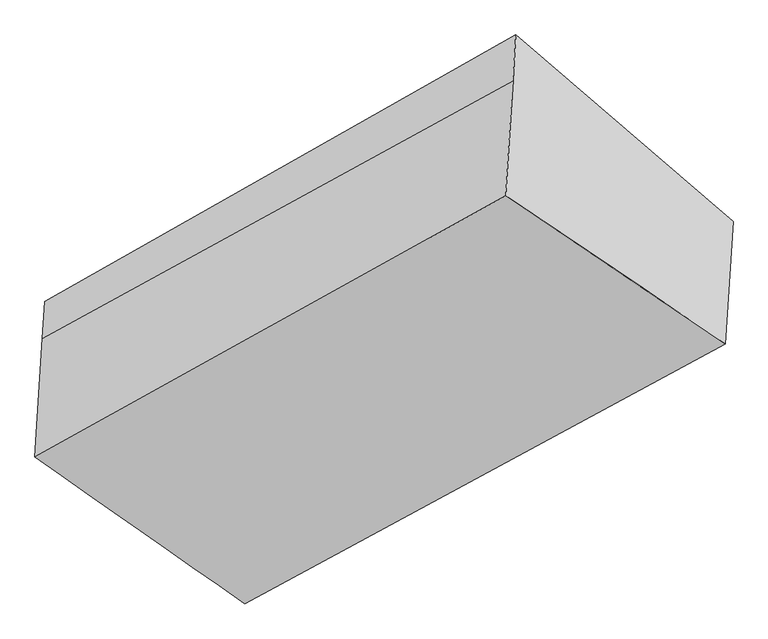
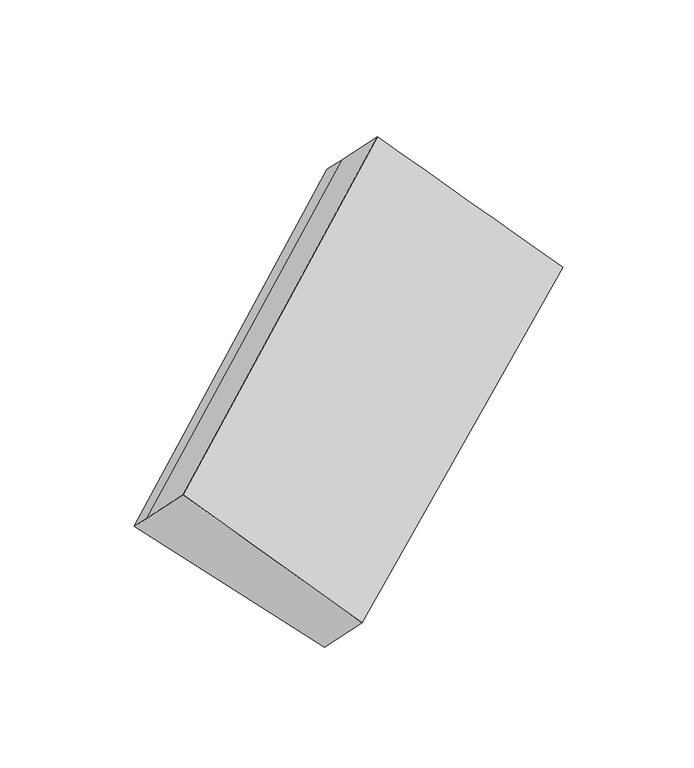
"""IFC4 building model written with IfcOpenShell, lengths in millimetres: proxy geometry."""

import ifcopenshell
import ifcopenshell.guid

model = None  # the IFC model being written
_history = None  # IfcOwnerHistory: only IFC2X3 demands one
_inside = {}  # id of a spatial element -> (the spatial element, [elements in it])
_under = {}  # id of a project, library or spatial element -> (it, [spatial elements below it])
_declared = {}  # id of a project -> (the project, [libraries it declares])
_typed = {}  # id of a type object -> (the type object, [elements of that type])
_made_of = {}  # id of a material, layer set ... -> (it, [elements and type objects made of it])


def new_model(schema):
    """Start an empty IFC model of exactly this schema.

    Asked for "IFC4X3", IfcOpenShell would pick the latest addendum, in which some entities
    have other attributes; the version numbers below select the first issue.
    IFC2X3 requires an IfcOwnerHistory on every rooted entity: one is made here for all.
    """
    global model, _history
    if schema == "IFC4X3":
        model = ifcopenshell.file(schema_version=(4, 3, 0, 0))
    else:
        model = ifcopenshell.file(schema=schema)
    _inside.clear()
    _under.clear()
    _declared.clear()
    _typed.clear()
    _made_of.clear()
    _history = None
    if model.schema == "IFC2X3":
        org = make("IfcOrganization", Name="unknown")
        user = make(
            "IfcPersonAndOrganization",
            ThePerson=make("IfcPerson", FamilyName="unknown"),
            TheOrganization=org,
        )
        app = make(
            "IfcApplication",
            ApplicationDeveloper=org,
            Version="unknown",
            ApplicationFullName="unknown",
            ApplicationIdentifier="unknown",
        )
        _history = make(
            "IfcOwnerHistory",
            OwningUser=user,
            OwningApplication=app,
            ChangeAction="ADDED",
            CreationDate=0,
        )
    return model


def make(cls, **values):
    """One entity of the class cls with the attributes given. An attribute that is None is left unset."""
    return model.create_entity(
        cls, **{name: value for name, value in values.items() if value is not None}
    )


def rooted(cls, **values):
    """An entity with a GlobalId (a new one), such as an element, a storey or a relation."""
    return make(cls, GlobalId=ifcopenshell.guid.new(), OwnerHistory=_history, **values)


def si_unit(unit_type, name, prefix=None):
    """IfcSIUnit, for example si_unit("LENGTHUNIT", "METRE", prefix="MILLI")."""
    return make("IfcSIUnit", UnitType=unit_type, Prefix=prefix, Name=name)


def assignment(units):
    """IfcUnitAssignment: the units of a project."""
    return None if units is None else make("IfcUnitAssignment", Units=units)


def point(xyz):
    """IfcCartesianPoint."""
    return None if xyz is None else make("IfcCartesianPoint", Coordinates=xyz)


def direction(xyz):
    """IfcDirection."""
    return None if xyz is None else make("IfcDirection", DirectionRatios=xyz)


def frame(location, z_axis=None, x_axis=None):
    """IfcAxis2Placement3D, a coordinate frame: its origin and axes. An axis left out is left unset."""
    return make(
        "IfcAxis2Placement3D",
        Location=point(location),
        Axis=direction(z_axis),
        RefDirection=direction(x_axis),
    )


def origin():
    """The frame at (0, 0, 0) with its axes left unset."""
    return frame((0.0, 0.0, 0.0))


def place(relative_to, where):
    """IfcLocalPlacement: puts the frame where relative to a parent placement (None: the world)."""
    return make(
        "IfcLocalPlacement", PlacementRelTo=relative_to, RelativePlacement=where
    )


def context(
    kind, dimensions, precision=None, world=None, true_north=None, identifier=None
):
    """IfcGeometricRepresentationContext, for example the 3D "Model" context."""
    return make(
        "IfcGeometricRepresentationContext",
        ContextIdentifier=identifier,
        ContextType=kind,
        CoordinateSpaceDimension=dimensions,
        Precision=precision,
        WorldCoordinateSystem=world,
        TrueNorth=true_north,
    )


def project(units=None, contexts=None):
    """IfcProject with its units and contexts."""
    return rooted(
        "IfcProject",
        Name="project",
        RepresentationContexts=contexts,
        UnitsInContext=assignment(units),
    )


def spatial(cls, under=None, at=None, **own):
    """A site, building, storey or space (cls), placed at a placement, below another one or the project."""
    s = rooted(cls, ObjectPlacement=at, **own)
    if under is not None:
        _under.setdefault(under.id(), (under, []))[1].append(s)
    return s


def shape(context_of_items, identifier, shape_type, items):
    """IfcShapeRepresentation: the items that make up one representation, for example the "Body"."""
    return make(
        "IfcShapeRepresentation",
        ContextOfItems=context_of_items,
        RepresentationIdentifier=identifier,
        RepresentationType=shape_type,
        Items=items,
    )


def source(mapping_origin, context_of_items, identifier, shape_type, items):
    """IfcRepresentationMap: a shape defined once, which mapped items show again and again."""
    return make(
        "IfcRepresentationMap",
        MappingOrigin=mapping_origin,
        MappedRepresentation=shape(context_of_items, identifier, shape_type, items),
    )


def transform(
    local_origin,
    x_axis=None,
    y_axis=None,
    z_axis=None,
    scale=None,
    scale2=None,
    scale3=None,
    uniform=True,
):
    """IfcCartesianTransformationOperator3D, or its non-uniform kind. x_axis, y_axis, z_axis: its Axis1, 2, 3."""
    if uniform:
        return make(
            "IfcCartesianTransformationOperator3D",
            Axis1=direction(x_axis),
            Axis2=direction(y_axis),
            LocalOrigin=point(local_origin),
            Scale=scale,
            Axis3=direction(z_axis),
        )
    return make(
        "IfcCartesianTransformationOperator3DnonUniform",
        Axis1=direction(x_axis),
        Axis2=direction(y_axis),
        LocalOrigin=point(local_origin),
        Scale=scale,
        Axis3=direction(z_axis),
        Scale2=scale2,
        Scale3=scale3,
    )


def mapped(mapping_source, mapping_target):
    """IfcMappedItem: shows the shape of a source again, moved by a transform."""
    return make(
        "IfcMappedItem", MappingSource=mapping_source, MappingTarget=mapping_target
    )


def made_of(thing, what):
    """Note that an element or type object is made of a material, layer set ...; save() writes the relation."""
    if what is not None:
        _made_of.setdefault(what.id(), (what, []))[1].append(thing)
    return thing


def element(
    cls,
    number,
    at=None,
    inside=None,
    cuts=None,
    type_object=None,
    material=None,
    context=None,
    identifier="Body",
    shape_type=None,
    held_by="IfcProductDefinitionShape",
    body=None,
    shapes=None,
    **own,
):
    """One element of the class cls, such as IfcWall. Its Tag is "e" and its number.

    at: its placement. inside: the storey or other place that contains it. cuts: it is an
    opening in that element (IfcRelVoidsElement). A single representation is given by context,
    identifier, shape_type and body (its items); several are given by shapes. held_by: the class
    of the entity that holds the representations. save() writes the other relations.
    """
    e = rooted(cls, Tag="e%d" % number, ObjectPlacement=at, **own)
    if body is not None:
        shapes = [shape(context, identifier, shape_type, body)]
    if shapes is not None:
        e.Representation = make(held_by, Representations=shapes)
    if inside is not None:
        _inside.setdefault(inside.id(), (inside, []))[1].append(e)
    if cuts is not None:
        rooted(
            "IfcRelVoidsElement", RelatingBuildingElement=cuts, RelatedOpeningElement=e
        )
    if type_object is not None:
        _typed.setdefault(type_object.id(), (type_object, []))[1].append(e)
    return made_of(e, material)


def aggregate(whole, parts):
    """IfcRelAggregates: a whole, such as a stair, and the parts it consists of."""
    return rooted("IfcRelAggregates", RelatingObject=whole, RelatedObjects=parts)


def save(model, path):
    """Write the relations noted so far, then the file.

    IfcRelAggregates (storeys below a building ...), IfcRelContainedInSpatialStructure (elements
    in a storey), IfcRelDefinesByType, IfcRelAssociatesMaterial and IfcRelDeclares: one each for
    every whole, place, type object, material and project.
    """
    for whole, parts in _under.values():
        aggregate(whole, parts)
    for where, things in _inside.values():
        rooted(
            "IfcRelContainedInSpatialStructure",
            RelatedElements=things,
            RelatingStructure=where,
        )
    for kind, things in _typed.values():
        rooted("IfcRelDefinesByType", RelatedObjects=things, RelatingType=kind)
    for what, things in _made_of.values():
        rooted("IfcRelAssociatesMaterial", RelatedObjects=things, RelatingMaterial=what)
    for by, libraries in _declared.values():
        rooted("IfcRelDeclares", RelatingContext=by, RelatedDefinitions=libraries)
    model.write(path)


def plane_surface(at):
    """IfcPlane: the flat surface through the origin of the frame at, square to its z axis."""
    return make("IfcPlane", Position=at)


def spline_surface(u_degree, v_degree, points, u_multiplicities, v_multiplicities, u_knots, v_knots, weights=None):
    """IfcBSplineSurfaceWithKnots; with weights, IfcRationalBSplineSurfaceWithKnots. points: one row for each step in u."""
    own = dict(
        UDegree=u_degree,
        VDegree=v_degree,
        ControlPointsList=[[point(p) for p in row] for row in points],
        SurfaceForm="UNSPECIFIED",
        UClosed=False,
        VClosed=False,
        SelfIntersect=False,
        UMultiplicities=u_multiplicities,
        VMultiplicities=v_multiplicities,
        UKnots=u_knots,
        VKnots=v_knots,
        KnotSpec="UNSPECIFIED",
    )
    if weights is None:
        return make("IfcBSplineSurfaceWithKnots", **own)
    return make("IfcRationalBSplineSurfaceWithKnots", WeightsData=weights, **own)


def advanced_brep(points, edges, surfaces, faces):
    """IfcAdvancedBrep: a solid bounded by faces that lie on surfaces and meet in shared edges.

    An edge is (start, end): straight between two places in points (the first is 0);
    or (start, end, curve); or (start, end, curve, False) where it runs against its curve.
    A face is (place in surfaces, loops), or (place, loops, False) where it looks against
    its surface's normal. A loop lists edges by number (the first is 1), with a minus sign
    where the edge is run from its end to its start. The first loop is the outer one.
    """
    corners = [point(p) for p in points]
    vertices = [make("IfcVertexPoint", VertexGeometry=c) for c in corners]
    made = []
    for start, end, *more in edges:
        made.append(
            make(
                "IfcEdgeCurve",
                EdgeStart=vertices[start],
                EdgeEnd=vertices[end],
                EdgeGeometry=more[0] if more else make("IfcPolyline", Points=[corners[start], corners[end]]),
                SameSense=more[1] if len(more) > 1 else True,
            )
        )
    hull = []
    for where, loops, *sense in faces:
        bounds = []
        for j, loop in enumerate(loops):
            ring = [make("IfcOrientedEdge", EdgeElement=made[abs(k) - 1], Orientation=k > 0) for k in loop]
            bounds.append(
                make(
                    "IfcFaceOuterBound" if j == 0 else "IfcFaceBound",
                    Bound=make("IfcEdgeLoop", EdgeList=ring),
                    Orientation=True,
                )
            )
        hull.append(make("IfcAdvancedFace", Bounds=bounds, FaceSurface=surfaces[where], SameSense=sense[0] if sense else True))
    return make("IfcAdvancedBrep", Outer=make("IfcClosedShell", CfsFaces=hull))


def generic_models_1783180f(model_context):
    return source(origin(), model_context, "Body", "AdvancedBrep", [
        advanced_brep(
        [(-3746.7607371, -1515.679229, 1558.1450413), (-3753.2492076, -1619.1007764, 1659.569315), (-2438.486697, -899.2530148, 2505.6632016), (-2430.432044, -770.8676457, 2379.7572067), (-3166.4880198, -2024.7160885, 1076.2061973), (-1823.7959125, -1292.6702164, 1886.4878267), (-3187.5902524, -2361.0704779, 1406.0649214), (-1845.2500206, -1634.633249, 2221.84688), (-3774.0720214, -1951.0014323, 1985.060316), (-2458.6108464, -1220.0174617, 2820.2330557)],
        [
            (0, 1),
            (1, 2),
            (2, 3),
            (3, 0),
            (4, 0),
            (0, 5),
            (5, 4),
            (6, 4),
            (5, 7),
            (7, 6),
            (8, 6),
            (7, 9),
            (9, 8),
            (1, 8),
            (9, 2),
            (5, 3),
        ],
        [
            plane_surface(frame((-3750.0049723, -1567.3900027, 1608.8571782), z_axis=(-0.6431812060284685, 0.5563267127586446, 0.5261354624836893), x_axis=(-0.044748072696069056, -0.713252050612078, 0.6994777496730351))),
            plane_surface(frame((-3456.6243784, -1770.1976587, 1317.1756193), z_axis=(0.037884356128764035, 0.7094551810624252, -0.7037315692964121), x_axis=(-0.6376623266634024, 0.5593811641939096, 0.5296031252733341))),
            plane_surface(frame((-3177.0391361, -2192.8932832, 1241.1355594), z_axis=(0.6298248409245788, -0.5636385523751763, -0.5344457428315288), x_axis=(0.04474807269603958, 0.7132520506120593, -0.699477749673056))),
            spline_surface(1, 1, [[(-3774.0720214, -1951.0014323, 1985.060316), (-2458.6108464, -1220.0174617, 2820.2330557)], [(-3187.5902524, -2361.0704779, 1406.0649214), (-1845.2500206, -1634.633249, 2221.84688)]], [2, 2], [2, 2], [0.0, 1.0], [0.0, 1.0]),
            plane_surface(frame((-3763.6606145, -1785.0511043, 1822.3148155), z_axis=(-0.6431812060284682, 0.5563267127586472, 0.5261354624836866), x_axis=(-0.04474807269603377, -0.7132520506120549, 0.6994777496730609))),
            plane_surface(frame((-2139.5222059, -1229.5471432, 2327.0812423), z_axis=(0.7625688134878594, 0.42793151281422936, 0.48514268523419324), x_axis=(0.04474807269603958, 0.7132520506120593, -0.699477749673056))),
            plane_surface(frame((-3468.7277577, -1963.1168069, 1506.369119), z_axis=(-0.7690151930516103, -0.4223318901560077, -0.47984519109088597), x_axis=(0.044748072696054554, 0.7132520506120666, -0.6994777496730477))),
            plane_surface(frame((-3746.7607371, -1515.679229, 1558.1450413), z_axis=(0.037904666362717304, 0.7093840335510186, -0.7038021946618371), x_axis=(-0.6453575866802126, 0.5551091177761548, 0.5247546595086803))),
        ],
        [
            (0, [[1, 2, 3, 4]]),
            (1, [[5, 6, 7]]),
            (2, [[8, -7, 9, 10]]),
            (3, [[11, -10, 12, 13]]),
            (4, [[14, -13, 15, -2]]),
            (5, [[-9, 16, -3, -15, -12]]),
            (6, [[-1, -5, -8, -11, -14]]),
            (7, [[-16, -6, -4]]),
        ],
    ),
    ])


if __name__ == "__main__":
    model = new_model("IFC4")
    model_context = context("Model", 3, world=origin())
    ifc_project = project(units=[si_unit("LENGTHUNIT", "METRE", prefix="MILLI")], contexts=[model_context])
    site = spatial("IfcSite", under=ifc_project)
    building = spatial("IfcBuilding", under=site)
    placement = place(None, origin())
    generic_models_shape = generic_models_1783180f(model_context)
    element("IfcBuildingElementProxy", 1, Name="Generic Models", at=placement, inside=building, context=model_context, shape_type="MappedRepresentation", body=[
        mapped(generic_models_shape, transform((0.0, 0.0, 0.0), x_axis=(1.0, 0.0, 0.0), y_axis=(0.0, 1.0, 0.0), z_axis=(0.0, 0.0, 1.0))),
    ])
    save(model, "model.ifc")
